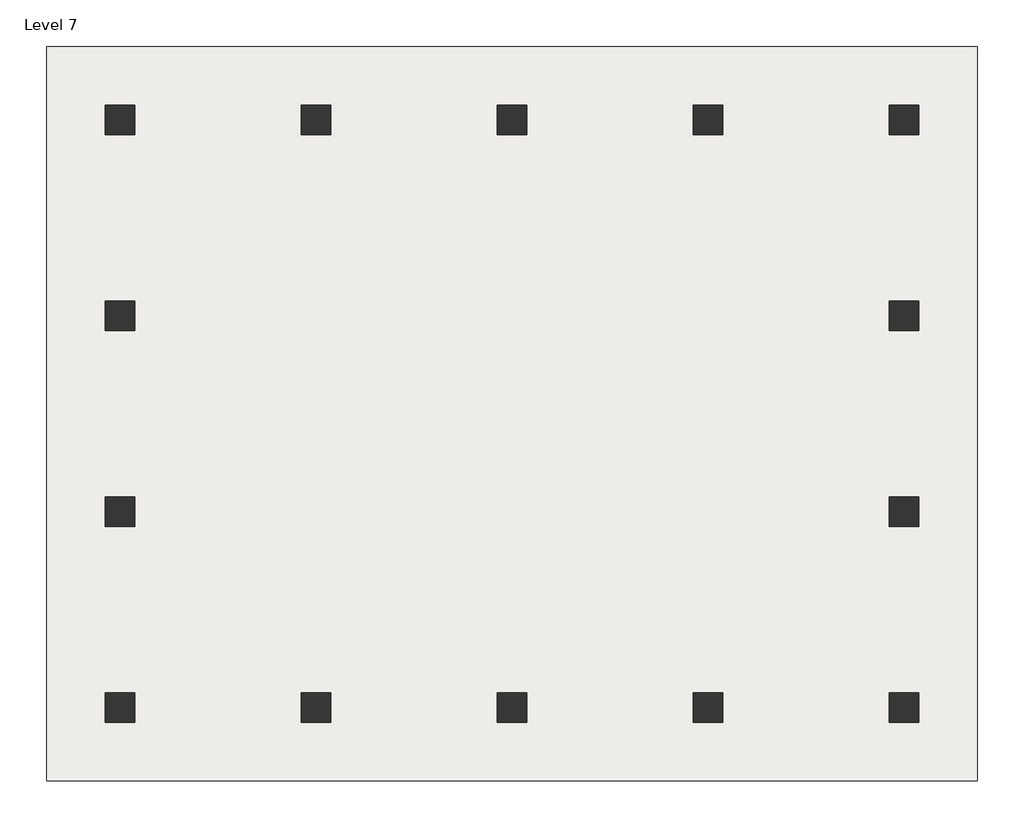
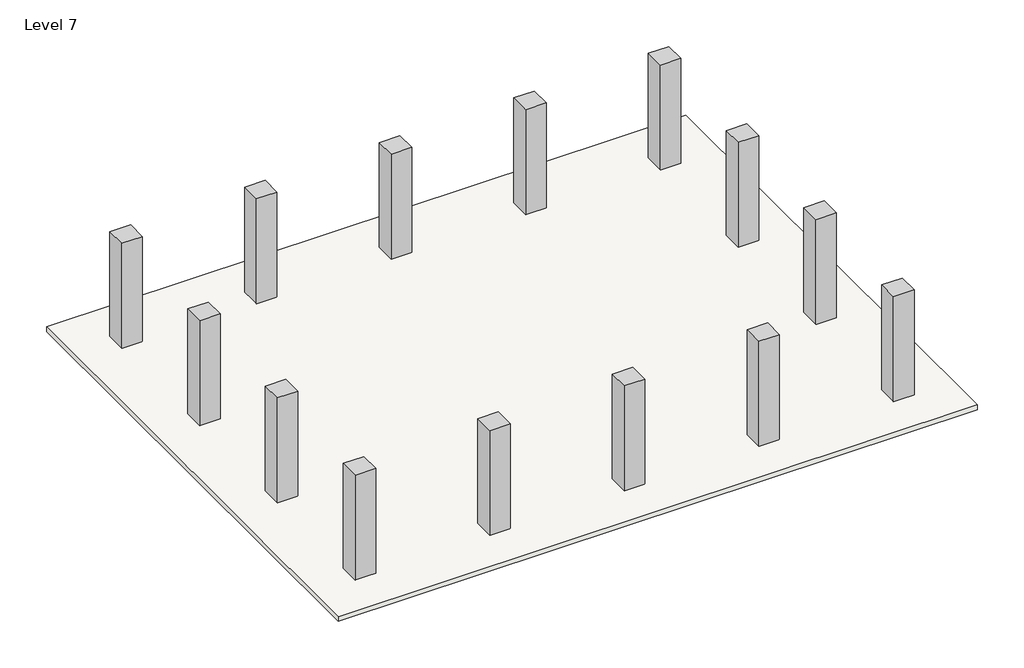
# One storey: 14 columns, 1 slab.
"""IFC4 building model written with IfcOpenShell, lengths in millimetres."""

import ifcopenshell
import ifcopenshell.guid

model = None  # the IFC model being written
_history = None  # IfcOwnerHistory: only IFC2X3 demands one
_inside = {}  # id of a spatial element -> (the spatial element, [elements in it])
_under = {}  # id of a project, library or spatial element -> (it, [spatial elements below it])
_declared = {}  # id of a project -> (the project, [libraries it declares])
_typed = {}  # id of a type object -> (the type object, [elements of that type])
_made_of = {}  # id of a material, layer set ... -> (it, [elements and type objects made of it])


def new_model(schema):
    """Start an empty IFC model of exactly this schema.

    Asked for "IFC4X3", IfcOpenShell would pick the latest addendum, in which some entities
    have other attributes; the version numbers below select the first issue.
    IFC2X3 requires an IfcOwnerHistory on every rooted entity: one is made here for all.
    """
    global model, _history
    if schema == "IFC4X3":
        model = ifcopenshell.file(schema_version=(4, 3, 0, 0))
    else:
        model = ifcopenshell.file(schema=schema)
    _inside.clear()
    _under.clear()
    _declared.clear()
    _typed.clear()
    _made_of.clear()
    _history = None
    if model.schema == "IFC2X3":
        org = make("IfcOrganization", Name="unknown")
        user = make(
            "IfcPersonAndOrganization",
            ThePerson=make("IfcPerson", FamilyName="unknown"),
            TheOrganization=org,
        )
        app = make(
            "IfcApplication",
            ApplicationDeveloper=org,
            Version="unknown",
            ApplicationFullName="unknown",
            ApplicationIdentifier="unknown",
        )
        _history = make(
            "IfcOwnerHistory",
            OwningUser=user,
            OwningApplication=app,
            ChangeAction="ADDED",
            CreationDate=0,
        )
    return model


def make(cls, **values):
    """One entity of the class cls with the attributes given. An attribute that is None is left unset."""
    return model.create_entity(
        cls, **{name: value for name, value in values.items() if value is not None}
    )


def rooted(cls, **values):
    """An entity with a GlobalId (a new one), such as an element, a storey or a relation."""
    return make(cls, GlobalId=ifcopenshell.guid.new(), OwnerHistory=_history, **values)


def si_unit(unit_type, name, prefix=None):
    """IfcSIUnit, for example si_unit("LENGTHUNIT", "METRE", prefix="MILLI")."""
    return make("IfcSIUnit", UnitType=unit_type, Prefix=prefix, Name=name)


def assignment(units):
    """IfcUnitAssignment: the units of a project."""
    return None if units is None else make("IfcUnitAssignment", Units=units)


def point(xyz):
    """IfcCartesianPoint."""
    return None if xyz is None else make("IfcCartesianPoint", Coordinates=xyz)


def direction(xyz):
    """IfcDirection."""
    return None if xyz is None else make("IfcDirection", DirectionRatios=xyz)


def frame(location, z_axis=None, x_axis=None):
    """IfcAxis2Placement3D, a coordinate frame: its origin and axes. An axis left out is left unset."""
    return make(
        "IfcAxis2Placement3D",
        Location=point(location),
        Axis=direction(z_axis),
        RefDirection=direction(x_axis),
    )


def origin():
    """The frame at (0, 0, 0) with its axes left unset."""
    return frame((0.0, 0.0, 0.0))


def place(relative_to, where):
    """IfcLocalPlacement: puts the frame where relative to a parent placement (None: the world)."""
    return make(
        "IfcLocalPlacement", PlacementRelTo=relative_to, RelativePlacement=where
    )


def context(
    kind, dimensions, precision=None, world=None, true_north=None, identifier=None
):
    """IfcGeometricRepresentationContext, for example the 3D "Model" context."""
    return make(
        "IfcGeometricRepresentationContext",
        ContextIdentifier=identifier,
        ContextType=kind,
        CoordinateSpaceDimension=dimensions,
        Precision=precision,
        WorldCoordinateSystem=world,
        TrueNorth=true_north,
    )


def project(units=None, contexts=None):
    """IfcProject with its units and contexts."""
    return rooted(
        "IfcProject",
        Name="project",
        RepresentationContexts=contexts,
        UnitsInContext=assignment(units),
    )


def spatial(cls, under=None, at=None, **own):
    """A site, building, storey or space (cls), placed at a placement, below another one or the project."""
    s = rooted(cls, ObjectPlacement=at, **own)
    if under is not None:
        _under.setdefault(under.id(), (under, []))[1].append(s)
    return s


def polyline(points):
    """IfcPolyline through the points."""
    return make("IfcPolyline", Points=[point(p) for p in points])


def outline(outer, holes=None, kind="AREA"):
    """IfcArbitraryClosedProfileDef: a profile drawn as a closed curve; with holes, ...WithVoids."""
    if holes is None:
        return make("IfcArbitraryClosedProfileDef", ProfileType=kind, OuterCurve=outer)
    return make(
        "IfcArbitraryProfileDefWithVoids",
        ProfileType=kind,
        OuterCurve=outer,
        InnerCurves=holes,
    )


def extrude(swept, where, along, depth):
    """IfcExtrudedAreaSolid: the profile swept, set in the frame where, extruded along a direction by depth."""
    return make(
        "IfcExtrudedAreaSolid",
        SweptArea=swept,
        Position=where,
        ExtrudedDirection=direction(along),
        Depth=depth,
    )


def shape(context_of_items, identifier, shape_type, items):
    """IfcShapeRepresentation: the items that make up one representation, for example the "Body"."""
    return make(
        "IfcShapeRepresentation",
        ContextOfItems=context_of_items,
        RepresentationIdentifier=identifier,
        RepresentationType=shape_type,
        Items=items,
    )


def source(mapping_origin, context_of_items, identifier, shape_type, items):
    """IfcRepresentationMap: a shape defined once, which mapped items show again and again."""
    return make(
        "IfcRepresentationMap",
        MappingOrigin=mapping_origin,
        MappedRepresentation=shape(context_of_items, identifier, shape_type, items),
    )


def transform(
    local_origin,
    x_axis=None,
    y_axis=None,
    z_axis=None,
    scale=None,
    scale2=None,
    scale3=None,
    uniform=True,
):
    """IfcCartesianTransformationOperator3D, or its non-uniform kind. x_axis, y_axis, z_axis: its Axis1, 2, 3."""
    if uniform:
        return make(
            "IfcCartesianTransformationOperator3D",
            Axis1=direction(x_axis),
            Axis2=direction(y_axis),
            LocalOrigin=point(local_origin),
            Scale=scale,
            Axis3=direction(z_axis),
        )
    return make(
        "IfcCartesianTransformationOperator3DnonUniform",
        Axis1=direction(x_axis),
        Axis2=direction(y_axis),
        LocalOrigin=point(local_origin),
        Scale=scale,
        Axis3=direction(z_axis),
        Scale2=scale2,
        Scale3=scale3,
    )


def mapped(mapping_source, mapping_target):
    """IfcMappedItem: shows the shape of a source again, moved by a transform."""
    return make(
        "IfcMappedItem", MappingSource=mapping_source, MappingTarget=mapping_target
    )


def made_of(thing, what):
    """Note that an element or type object is made of a material, layer set ...; save() writes the relation."""
    if what is not None:
        _made_of.setdefault(what.id(), (what, []))[1].append(thing)
    return thing


def element(
    cls,
    number,
    at=None,
    inside=None,
    cuts=None,
    type_object=None,
    material=None,
    context=None,
    identifier="Body",
    shape_type=None,
    held_by="IfcProductDefinitionShape",
    body=None,
    shapes=None,
    **own,
):
    """One element of the class cls, such as IfcWall. Its Tag is "e" and its number.

    at: its placement. inside: the storey or other place that contains it. cuts: it is an
    opening in that element (IfcRelVoidsElement). A single representation is given by context,
    identifier, shape_type and body (its items); several are given by shapes. held_by: the class
    of the entity that holds the representations. save() writes the other relations.
    """
    e = rooted(cls, Tag="e%d" % number, ObjectPlacement=at, **own)
    if body is not None:
        shapes = [shape(context, identifier, shape_type, body)]
    if shapes is not None:
        e.Representation = make(held_by, Representations=shapes)
    if inside is not None:
        _inside.setdefault(inside.id(), (inside, []))[1].append(e)
    if cuts is not None:
        rooted(
            "IfcRelVoidsElement", RelatingBuildingElement=cuts, RelatedOpeningElement=e
        )
    if type_object is not None:
        _typed.setdefault(type_object.id(), (type_object, []))[1].append(e)
    return made_of(e, material)


def aggregate(whole, parts):
    """IfcRelAggregates: a whole, such as a stair, and the parts it consists of."""
    return rooted("IfcRelAggregates", RelatingObject=whole, RelatedObjects=parts)


def save(model, path):
    """Write the relations noted so far, then the file.

    IfcRelAggregates (storeys below a building ...), IfcRelContainedInSpatialStructure (elements
    in a storey), IfcRelDefinesByType, IfcRelAssociatesMaterial and IfcRelDeclares: one each for
    every whole, place, type object, material and project.
    """
    for whole, parts in _under.values():
        aggregate(whole, parts)
    for where, things in _inside.values():
        rooted(
            "IfcRelContainedInSpatialStructure",
            RelatedElements=things,
            RelatingStructure=where,
        )
    for kind, things in _typed.values():
        rooted("IfcRelDefinesByType", RelatedObjects=things, RelatingType=kind)
    for what, things in _made_of.values():
        rooted("IfcRelAssociatesMaterial", RelatedObjects=things, RelatingMaterial=what)
    for by, libraries in _declared.values():
        rooted("IfcRelDeclares", RelatingContext=by, RelatedDefinitions=libraries)
    model.write(path)


def m_rectangular_column_610_x_610mm_0f1cb55a(model_context):
    return source(origin(), model_context, "Body", "SweptSolid", [
        extrude(outline(polyline([(305.0, 305.0), (305.0, -305.0), (-305.0, -305.0), (-305.0, 305.0), (305.0, 305.0)])), frame((0.0, 0.0, 23997.5633081), z_axis=(0.0, 0.0, 1.0), x_axis=(1.0, 0.0, 0.0)), (0.0, 0.0, 1.0), 4000.0),
    ])


model = new_model("IFC4")

# Units and contexts
model_context = context("Model", 3, world=origin())
ifc_project = project(units=[si_unit("LENGTHUNIT", "METRE", prefix="MILLI")], contexts=[model_context])

# Site, building, storey
site = spatial("IfcSite", under=ifc_project)
building = spatial("IfcBuilding", under=site)
storey = spatial("IfcBuildingStorey", under=building, Name="Level 7", Elevation=23997.5633081)

# Columns
placement = place(None, origin())
m_rectangular_column_610_x_610mm_shape = m_rectangular_column_610_x_610mm_0f1cb55a(model_context)
element("IfcColumn", 1, ObjectType="M_Rectangular Column : 610 x 610mm", at=placement, inside=storey, context=model_context, shape_type="MappedRepresentation", body=[
    mapped(m_rectangular_column_610_x_610mm_shape, transform((-6065.5268457, 4107.1335473, 0.0), x_axis=(1.0, 0.0, 0.0), y_axis=(0.0, 1.0, 0.0), z_axis=(0.0, 0.0, 1.0))),
])
element("IfcColumn", 2, ObjectType="M_Rectangular Column : 610 x 610mm", at=placement, inside=storey, context=model_context, shape_type="MappedRepresentation", body=[
    mapped(m_rectangular_column_610_x_610mm_shape, transform((-2065.5268457, 4107.1335473, 0.0), x_axis=(1.0, 0.0, 0.0), y_axis=(0.0, 1.0, 0.0), z_axis=(0.0, 0.0, 1.0))),
])
element("IfcColumn", 3, ObjectType="M_Rectangular Column : 610 x 610mm", at=placement, inside=storey, context=model_context, shape_type="MappedRepresentation", body=[
    mapped(m_rectangular_column_610_x_610mm_shape, transform((1934.4731543, 4107.1335473, 0.0), x_axis=(1.0, 0.0, 0.0), y_axis=(0.0, 1.0, 0.0), z_axis=(0.0, 0.0, 1.0))),
])
element("IfcColumn", 4, ObjectType="M_Rectangular Column : 610 x 610mm", at=placement, inside=storey, context=model_context, shape_type="MappedRepresentation", body=[
    mapped(m_rectangular_column_610_x_610mm_shape, transform((5934.4731543, 4107.1335473, 0.0), x_axis=(1.0, 0.0, 0.0), y_axis=(0.0, 1.0, 0.0), z_axis=(0.0, 0.0, 1.0))),
])
element("IfcColumn", 5, ObjectType="M_Rectangular Column : 610 x 610mm", at=placement, inside=storey, context=model_context, shape_type="MappedRepresentation", body=[
    mapped(m_rectangular_column_610_x_610mm_shape, transform((9934.4731543, 4107.1335473, 0.0), x_axis=(1.0, 0.0, 0.0), y_axis=(0.0, 1.0, 0.0), z_axis=(0.0, 0.0, 1.0))),
])
element("IfcColumn", 6, ObjectType="M_Rectangular Column : 610 x 610mm", at=placement, inside=storey, context=model_context, shape_type="MappedRepresentation", body=[
    mapped(m_rectangular_column_610_x_610mm_shape, transform((9934.4731543, 107.1335473, 0.0), x_axis=(1.0, 0.0, 0.0), y_axis=(0.0, 1.0, 0.0), z_axis=(0.0, 0.0, 1.0))),
])
element("IfcColumn", 7, ObjectType="M_Rectangular Column : 610 x 610mm", at=placement, inside=storey, context=model_context, shape_type="MappedRepresentation", body=[
    mapped(m_rectangular_column_610_x_610mm_shape, transform((9934.4731543, -3892.8664527, 0.0), x_axis=(1.0, 0.0, 0.0), y_axis=(0.0, 1.0, 0.0), z_axis=(0.0, 0.0, 1.0))),
])
element("IfcColumn", 8, ObjectType="M_Rectangular Column : 610 x 610mm", at=placement, inside=storey, context=model_context, shape_type="MappedRepresentation", body=[
    mapped(m_rectangular_column_610_x_610mm_shape, transform((9934.4731543, -7892.8664527, 0.0), x_axis=(1.0, 0.0, 0.0), y_axis=(0.0, 1.0, 0.0), z_axis=(0.0, 0.0, 1.0))),
])
element("IfcColumn", 9, ObjectType="M_Rectangular Column : 610 x 610mm", at=placement, inside=storey, context=model_context, shape_type="MappedRepresentation", body=[
    mapped(m_rectangular_column_610_x_610mm_shape, transform((5934.4731543, -7892.8664527, 0.0), x_axis=(1.0, 0.0, 0.0), y_axis=(0.0, 1.0, 0.0), z_axis=(0.0, 0.0, 1.0))),
])
element("IfcColumn", 10, ObjectType="M_Rectangular Column : 610 x 610mm", at=placement, inside=storey, context=model_context, shape_type="MappedRepresentation", body=[
    mapped(m_rectangular_column_610_x_610mm_shape, transform((1934.4731543, -7892.8664527, 0.0), x_axis=(1.0, 0.0, 0.0), y_axis=(0.0, 1.0, 0.0), z_axis=(0.0, 0.0, 1.0))),
])
element("IfcColumn", 11, ObjectType="M_Rectangular Column : 610 x 610mm", at=placement, inside=storey, context=model_context, shape_type="MappedRepresentation", body=[
    mapped(m_rectangular_column_610_x_610mm_shape, transform((-2065.5268457, -7892.8664527, 0.0), x_axis=(1.0, 0.0, 0.0), y_axis=(0.0, 1.0, 0.0), z_axis=(0.0, 0.0, 1.0))),
])
element("IfcColumn", 12, ObjectType="M_Rectangular Column : 610 x 610mm", at=placement, inside=storey, context=model_context, shape_type="MappedRepresentation", body=[
    mapped(m_rectangular_column_610_x_610mm_shape, transform((-6065.5268457, -7892.8664527, 0.0), x_axis=(1.0, 0.0, 0.0), y_axis=(0.0, 1.0, 0.0), z_axis=(0.0, 0.0, 1.0))),
])
element("IfcColumn", 13, ObjectType="M_Rectangular Column : 610 x 610mm", at=placement, inside=storey, context=model_context, shape_type="MappedRepresentation", body=[
    mapped(m_rectangular_column_610_x_610mm_shape, transform((-6065.5268457, -3892.8664527, 0.0), x_axis=(1.0, 0.0, 0.0), y_axis=(0.0, 1.0, 0.0), z_axis=(0.0, 0.0, 1.0))),
])
element("IfcColumn", 14, ObjectType="M_Rectangular Column : 610 x 610mm", at=placement, inside=storey, context=model_context, shape_type="MappedRepresentation", body=[
    mapped(m_rectangular_column_610_x_610mm_shape, transform((-6065.5268457, 107.1335473, 0.0), x_axis=(1.0, 0.0, 0.0), y_axis=(0.0, 1.0, 0.0), z_axis=(0.0, 0.0, 1.0))),
])

# Slab
element("IfcSlab", 15, ObjectType="Generic 150mm", at=placement, inside=storey, context=model_context, shape_type="SweptSolid", body=[
    extrude(outline(polyline([(11434.4731543, 5607.1335473), (11434.4731543, -9392.8664527), (-7565.5268457, -9392.8664527), (-7565.5268457, 5607.1335473), (11434.4731543, 5607.1335473)])), frame((0.0, 0.0, 24547.5633081), z_axis=(0.0, 0.0, 1.0), x_axis=(1.0, 0.0, 0.0)), (0.0, 0.0, 1.0), 150.0),
])

save(model, "model.ifc")
